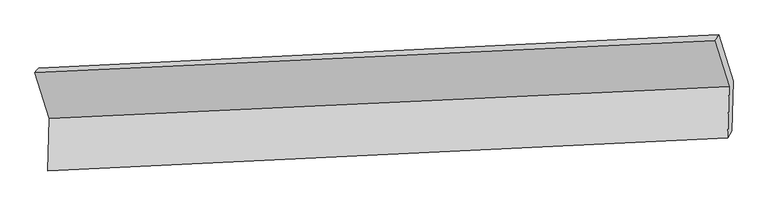
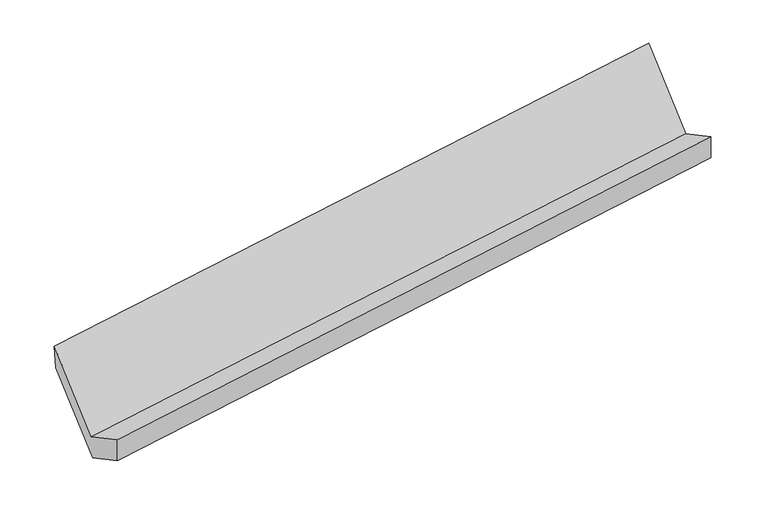
"""IFC4 building model written with IfcOpenShell, lengths in millimetres: proxy geometry."""

from ifc_helpers import new_model, si_unit, frame, origin, place, context, project, spatial, source, transform, mapped, element, save
from ifc_brep_helpers import plane_surface, spline_surface, advanced_brep


def generic_models_26d77d35(model_context):
    return source(origin(), model_context, "Body", "AdvancedBrep", [
        advanced_brep(
        [(-5189.7071876, -1623.2595795, 1430.2883745), (-5200.0678427, -1986.0598833, 1630.0744303), (-496.8303874, -1756.8301222, 2310.9841379), (-486.7198075, -1402.78673, 2116.0203184), (-5171.6837099, -1937.0703853, 1417.7922685), (-468.4462546, -1707.8406242, 2098.7019761), (-5161.8232051, -1591.7839045, 1227.6506853), (-458.5857498, -1362.5541435, 1908.5603929), (-5262.205972, -1271.8022746, 1803.5137045), (-558.9685167, -1042.5725136, 2484.4234121), (-5290.0899545, -1303.2779496, 2006.1513936), (-587.1025743, -1082.8051, 2691.8833376)],
        [
            (0, 1),
            (1, 2),
            (2, 3),
            (3, 0),
            (1, 4),
            (4, 5),
            (5, 2),
            (4, 6),
            (6, 7),
            (7, 5),
            (6, 8),
            (8, 9),
            (9, 7),
            (8, 10),
            (10, 11),
            (11, 9),
            (10, 0),
            (3, 11),
        ],
        [
            plane_surface(frame((-5194.8875152, -1804.6597314, 1530.1814024), z_axis=(-0.1485578849560549, 0.48027384095547976, 0.8644464081198177), x_axis=(-0.025007514916000746, -0.8756911502344216, 0.4822236344258148))),
            plane_surface(frame((-5185.8757763, -1961.5651343, 1523.9333494), z_axis=(0.078464267989558, -0.9736334291421714, -0.21419921639847186), x_axis=(0.1291932792957022, 0.2229807034471769, -0.9662239401272485))),
            plane_surface(frame((-5166.7534575, -1764.4271449, 1322.7214769), z_axis=(0.14855788495605485, -0.48027384095547987, -0.8644464081198175), x_axis=(0.02500751491600079, 0.8756911502344215, -0.4822236344258149))),
            plane_surface(frame((-5212.0145885, -1431.7930896, 1515.5821949), z_axis=(0.027084629727321355, 0.8757964713492803, -0.481920080101134), x_axis=(-0.1506353877312523, 0.48016764619966246, 0.8641458276854267))),
            spline_surface(1, 1, [[(-5262.205972, -1271.8022746, 1803.5137045), (-558.9685167, -1042.5725136, 2484.4234121)], [(-5290.0899545, -1303.2779496, 2006.1513936), (-587.1025743, -1082.8051, 2691.8833376)]], [2, 2], [2, 2], [0.0, 1.0], [0.0, 1.0]),
            plane_surface(frame((-5239.898571, -1463.2687645, 1718.219884), z_axis=(-0.029161606538262032, -0.8758979226281065, 0.48161439953543267), x_axis=(0.15063538773125135, -0.48016764619967267, -0.8641458276854213))),
            plane_surface(frame((-509.4422151, -1392.5648723, 2268.4289292), z_axis=(0.9882730413002176, 0.05102980446946733, 0.14391787552290436), x_axis=(-0.1319673062126747, -0.18871739471433133, 0.9731240285920421))),
            plane_surface(frame((-5212.596312, -1618.8756628, 1585.9118094), z_axis=(-0.9882730413002174, -0.05102980446944873, -0.143917875522914), x_axis=(-0.15063538773125112, 0.4801676461996614, 0.8641458276854275))),
        ],
        [
            (0, [[1, 2, 3, 4]]),
            (1, [[5, 6, 7, -2]]),
            (2, [[8, 9, 10, -6]]),
            (3, [[11, 12, 13, -9]]),
            (4, [[14, 15, 16, -12]]),
            (5, [[17, -4, 18, -15]]),
            (6, [[-16, -18, -3, -7, -10, -13]]),
            (7, [[-17, -14, -11, -8, -5, -1]]),
        ],
    ),
    ])


if __name__ == "__main__":
    model = new_model("IFC4")
    model_context = context("Model", 3, world=origin())
    ifc_project = project(units=[si_unit("LENGTHUNIT", "METRE", prefix="MILLI")], contexts=[model_context])
    site = spatial("IfcSite", under=ifc_project)
    building = spatial("IfcBuilding", under=site)
    placement = place(None, origin())
    generic_models_shape = generic_models_26d77d35(model_context)
    element("IfcBuildingElementProxy", 1, Name="Generic Models", at=placement, inside=building, context=model_context, shape_type="MappedRepresentation", body=[
        mapped(generic_models_shape, transform((0.0, 0.0, 0.0), x_axis=(1.0, 0.0, 0.0), y_axis=(0.0, 1.0, 0.0), z_axis=(0.0, 0.0, 1.0))),
    ])
    save(model, "model.ifc")
